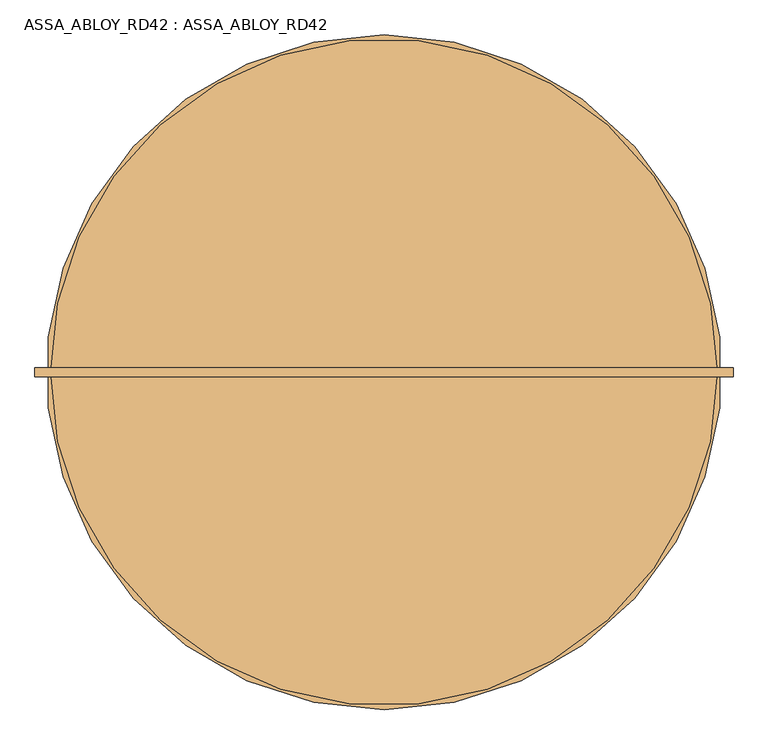
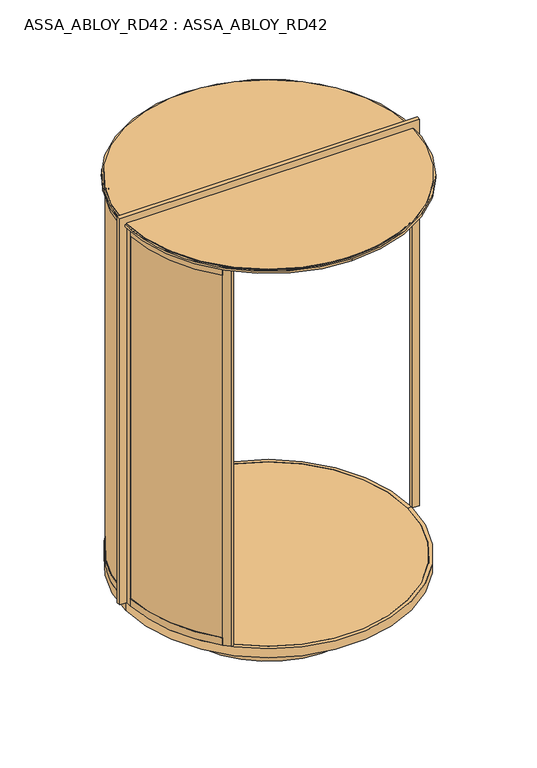
"""IFC4 building model written with IfcOpenShell, lengths in millimetres: door geometry, ASSA_ABLOY_RD42 : ASSA_ABLOY_RD42."""

from ifc_helpers import new_model, si_unit, point, frame, frame_2d, origin, origin_with_axes, place, context, project, spatial, polyline, circle_curve, trimmed, segment, composite_curve, outline, extrude, source, transform, mapped, element, save
from ifc_brep_helpers import plane_surface, cylinder_surface, revolved_surface, advanced_brep


def assa_abloy_rd42_assa_abloy_rd42_18a07053(model_context):
    return source(origin(), model_context, "Body", "SolidModel", [
        extrude(outline(composite_curve([segment(trimmed(circle_curve(frame_2d((125.0, 0.0)), 979.0), [point((-567.2575388, 692.2575388))], [point((-853.4493032, 32.8323171))], True, "CARTESIAN"), True, "CONTINUOUS"), segment(polyline([(-853.4493032, 32.8323171), (-863.4436781, 33.1676829)]), True, "CONTINUOUS"), segment(trimmed(circle_curve(frame_2d((125.0, 0.0)), 989.0), [point((-863.4436781, 33.1676829))], [point((-574.3286066, 699.3286066))], False, "CARTESIAN"), True, "CONTINUOUS"), segment(polyline([(-574.3286066, 699.3286066), (-567.2575388, 692.2575388)]), True, "CONTINUOUS")], self_intersect=False)), frame((0.0, 0.0, 33.0), z_axis=(0.0, 0.0, 1.0), x_axis=(1.0, 0.0, 0.0)), (0.0, 0.0, 1.0), 2715.0),
        advanced_brep(
        [(-575.2358565, 672.6891892, 0.0), (-593.9857353, 690.701464, 0.0), (-593.9857353, 690.701464, 53.0), (-591.8222877, 688.6231246, 53.0), (-591.8222877, 688.6231246, 33.0), (-577.3993041, 674.7675286, 33.0), (-577.3993041, 674.7675286, 53.0), (-575.2358565, 672.6891892, 53.0), (-844.6270403, 51.6178536, 0.0), (-844.6270403, 51.6178536, 53.0), (-847.6227984, 51.777332, 53.0), (-847.6227984, 51.777332, 33.0), (-867.5945191, 52.8405216, 33.0), (-867.5945191, 52.8405216, 53.0), (-870.5902772, 53.0, 53.0), (-870.5902772, 53.0, 0.0)],
        [
            (0, 1),
            (1, 2),
            (2, 3),
            (3, 4),
            (4, 5),
            (5, 6),
            (6, 7),
            (7, 0),
            (8, 9),
            (9, 10),
            (10, 11),
            (11, 12),
            (12, 13),
            (13, 14),
            (14, 15),
            (15, 8),
            (8, 0, circle_curve(frame((125.0, 0.0, 0.0), z_axis=(0.0, 0.0, -1.0), x_axis=(-0.7211491828453972, 0.6927798034595233, 0.0)), 971.0)),
            (7, 9, circle_curve(frame((125.0, 0.0, 53.0), z_axis=(0.0, 0.0, 1.0), x_axis=(-0.7211491828453972, 0.6927798034595233, 0.0)), 971.0)),
            (6, 10, circle_curve(frame((125.0, 0.0, 53.0), z_axis=(0.0, 0.0, 1.0), x_axis=(-0.7211491828453972, 0.6927798034595233, 0.0)), 974.0)),
            (5, 11, circle_curve(frame((125.0, 0.0, 33.0), z_axis=(0.0, 0.0, 1.0), x_axis=(-0.7211491828453972, 0.6927798034595233, 0.0)), 974.0)),
            (4, 12, circle_curve(frame((125.0, 0.0, 33.0), z_axis=(0.0, 0.0, 1.0), x_axis=(-0.7211491828453972, 0.6927798034595233, 0.0)), 994.0)),
            (3, 13, circle_curve(frame((125.0, 0.0, 53.0), z_axis=(0.0, 0.0, 1.0), x_axis=(-0.7211491828453972, 0.6927798034595233, 0.0)), 994.0)),
            (2, 14, circle_curve(frame((125.0, 0.0, 53.0), z_axis=(0.0, 0.0, 1.0), x_axis=(-0.7211491828453972, 0.6927798034595233, 0.0)), 997.0)),
            (1, 15, circle_curve(frame((125.0, 0.0, 0.0), z_axis=(0.0, 0.0, 1.0), x_axis=(-0.7211491828453972, 0.6927798034595233, 0.0)), 997.0)),
        ],
        [
            plane_surface(frame((-593.9857353, 690.701464, 0.0), z_axis=(0.6927798034595234, 0.7211491828453973, 0.0), x_axis=(0.0, 0.0, 1.0))),
            plane_surface(frame((-870.5902772, 53.0, 0.0), z_axis=(-0.053159478434998075, -0.9985860352781423, 0.0), x_axis=(0.0, 0.0, 1.0))),
            revolved_surface(polyline([(-575.2358565428807, 672.6891891591971, 53.0), (-575.2358565428807, 672.6891891591971, 0.0)]), (125.0, 0.0, 0.0), (0.0, 0.0, 1.0)),
            plane_surface(frame((125.0, 0.0, 53.0), z_axis=(0.0, 0.0, 1.0), x_axis=(-0.7211491828453973, 0.6927798034595234, 0.0))),
            cylinder_surface(frame((125.0, 0.0, 0.0), z_axis=(0.0, 0.0, 1.0), x_axis=(-0.7211491828453972, 0.6927798034595233, 0.0)), 974.0),
            plane_surface(frame((125.0, 0.0, 33.0), z_axis=(0.0, 0.0, 1.0), x_axis=(-0.7211491828453973, 0.6927798034595234, 0.0))),
            revolved_surface(polyline([(-591.8222877483248, 688.6231246387662, 53.0), (-591.8222877483248, 688.6231246387662, 33.0)]), (125.0, 0.0, 0.0), (0.0, 0.0, 1.0)),
            cylinder_surface(frame((125.0, 0.0, 0.0), z_axis=(0.0, 0.0, 1.0), x_axis=(-0.7211491828453972, 0.6927798034595233, 0.0)), 997.0),
            plane_surface(frame((125.0, 0.0, 0.0), z_axis=(0.0, 0.0, -1.0), x_axis=(-0.7211491828453973, 0.6927798034595234, 0.0))),
        ],
        [
            (0, [[1, 2, 3, 4, 5, 6, 7, 8]]),
            (1, [[9, 10, 11, 12, 13, 14, 15, 16]]),
            (2, [[17, -8, 18, -9]]),
            (3, [[-18, -7, 19, -10]]),
            (4, [[-19, -6, 20, -11]]),
            (5, [[-20, -5, 21, -12]]),
            (6, [[-21, -4, 22, -13]]),
            (3, [[-22, -3, 23, -14]]),
            (7, [[-23, -2, 24, -15]]),
            (8, [[-24, -1, -17, -16]]),
        ],
    ),
        advanced_brep(
        [(-844.6270403, 51.6178536, 2778.0), (-870.5902772, 53.0, 2778.0), (-870.5902772, 53.0, 2728.0), (-867.5945191, 52.8405216, 2728.0), (-867.5945191, 52.8405216, 2748.0), (-847.6227984, 51.777332, 2748.0), (-847.6227984, 51.777332, 2728.0), (-844.6270403, 51.6178536, 2728.0), (-575.2358565, 672.6891892, 2778.0), (-575.2358565, 672.6891892, 2728.0), (-577.3993041, 674.7675286, 2728.0), (-577.3993041, 674.7675286, 2748.0), (-591.8222877, 688.6231246, 2748.0), (-591.8222877, 688.6231246, 2728.0), (-593.9857353, 690.701464, 2728.0), (-593.9857353, 690.701464, 2778.0)],
        [
            (0, 1),
            (1, 2),
            (2, 3),
            (3, 4),
            (4, 5),
            (5, 6),
            (6, 7),
            (7, 0),
            (8, 9),
            (9, 10),
            (10, 11),
            (11, 12),
            (12, 13),
            (13, 14),
            (14, 15),
            (15, 8),
            (8, 0, circle_curve(frame((125.0, 0.0, 2778.0), z_axis=(0.0, 0.0, 1.0), x_axis=(-0.9985860352779656, 0.05315947843831304, 0.0)), 971.0)),
            (7, 9, circle_curve(frame((125.0, 0.0, 2728.0), z_axis=(0.0, 0.0, -1.0), x_axis=(-0.9985860352779656, 0.05315947843831304, 0.0)), 971.0)),
            (6, 10, circle_curve(frame((125.0, 0.0, 2728.0), z_axis=(0.0, 0.0, -1.0), x_axis=(-0.9985860352779656, 0.05315947843831304, 0.0)), 974.0)),
            (14, 2, circle_curve(frame((125.0, 0.0, 2728.0), z_axis=(0.0, 0.0, 1.0), x_axis=(-0.9985860352779656, 0.05315947843831304, 0.0)), 997.0)),
            (1, 15, circle_curve(frame((125.0, 0.0, 2778.0), z_axis=(0.0, 0.0, -1.0), x_axis=(-0.9985860352779656, 0.05315947843831304, 0.0)), 997.0)),
            (5, 11, circle_curve(frame((125.0, 0.0, 2748.0), z_axis=(0.0, 0.0, -1.0), x_axis=(-0.9985860352779656, 0.05315947843831304, 0.0)), 974.0)),
            (4, 12, circle_curve(frame((125.0, 0.0, 2748.0), z_axis=(0.0, 0.0, -1.0), x_axis=(-0.9985860352779656, 0.05315947843831304, 0.0)), 994.0)),
            (3, 13, circle_curve(frame((125.0, 0.0, 2728.0), z_axis=(0.0, 0.0, -1.0), x_axis=(-0.9985860352779656, 0.05315947843831304, 0.0)), 994.0)),
        ],
        [
            plane_surface(frame((-870.5902772, 53.0, 2778.0), z_axis=(-0.05315947843831305, -0.9985860352779657, 0.0), x_axis=(0.0, 0.0, 1.0))),
            plane_surface(frame((-593.9857353, 690.701464, 2778.0), z_axis=(0.6927798034621091, 0.7211491828429132, 0.0), x_axis=(0.0, 0.0, 1.0))),
            revolved_surface(polyline([(-844.6270402549046, 51.61785356360196, 2728.0), (-844.6270402549046, 51.61785356360196, 2778.0)]), (125.0, 0.0, 2778.0), (0.0, 0.0, -1.0)),
            plane_surface(frame((125.0, 0.0, 2728.0), z_axis=(0.0, 0.0, -1.0), x_axis=(-0.9985860352779657, 0.05315947843831305, 0.0))),
            cylinder_surface(frame((125.0, 0.0, 2778.0), z_axis=(0.0, 0.0, -1.0), x_axis=(-0.9985860352779656, 0.05315947843831304, 0.0)), 997.0),
            plane_surface(frame((125.0, 0.0, 2778.0), z_axis=(0.0, 0.0, 1.0), x_axis=(-0.9985860352779657, 0.05315947843831305, 0.0))),
            cylinder_surface(frame((125.0, 0.0, 2778.0), z_axis=(0.0, 0.0, -1.0), x_axis=(-0.9985860352779656, 0.05315947843831304, 0.0)), 974.0),
            plane_surface(frame((125.0, 0.0, 2748.0), z_axis=(0.0, 0.0, -1.0), x_axis=(-0.9985860352779657, 0.05315947843831305, 0.0))),
            revolved_surface(polyline([(-867.5945190662978, 52.84052156768316, 2728.0), (-867.5945190662978, 52.84052156768316, 2748.0)]), (125.0, 0.0, 2778.0), (0.0, 0.0, -1.0)),
        ],
        [
            (0, [[1, 2, 3, 4, 5, 6, 7, 8]]),
            (1, [[9, 10, 11, 12, 13, 14, 15, 16]]),
            (2, [[17, -8, 18, -9]]),
            (3, [[-18, -7, 19, -10]]),
            (4, [[20, -2, 21, -15]]),
            (5, [[-21, -1, -17, -16]]),
            (6, [[-19, -6, 22, -11]]),
            (7, [[-22, -5, 23, -12]]),
            (8, [[-23, -4, 24, -13]]),
            (3, [[-24, -3, -20, -14]]),
        ],
    ),
        extrude(outline(composite_curve([segment(polyline([(-577.863883, 702.863883), (-592.0060186, 688.7217474), (-594.1270815, 690.8428103), (-549.5793543, 735.3905375), (-550.2864632, 736.0976464), (-529.0719672, 757.3121425)]), True, "CONTINUOUS"), segment(trimmed(circle_curve(frame_2d((-519.1727276, 747.4129028)), 13.9996389), [point((-529.0719672, 757.3121425))], [point((-509.273488, 737.5136632))], False, "CARTESIAN"), True, "CONTINUOUS"), segment(polyline([(-509.273488, 737.5136632), (-530.487984, 716.2991672), (-531.1950929, 717.0062761), (-575.7428202, 672.4585489), (-577.863883, 674.5796118), (-563.7217474, 688.7217474), (-577.863883, 702.863883)]), True, "CONTINUOUS")], self_intersect=False)), origin_with_axes(), (0.0, 0.0, 1.0), 2778.0),
        extrude(outline(polyline([(-872.0, 0.0), (-872.0, 53.0), (-869.0, 53.0), (-869.0, 33.0), (-849.0, 33.0), (-849.0, 53.0), (-846.0, 53.0), (-846.0, 0.0), (-872.0, 0.0)])), origin_with_axes(), (0.0, 0.0, 1.0), 2778.0),
        extrude(outline(composite_curve([segment(trimmed(circle_curve(frame_2d((125.0, 0.0)), 989.0), [point((-574.3286066, -699.3286066))], [point((-863.4436781, -33.1676829))], False, "CARTESIAN"), True, "CONTINUOUS"), segment(polyline([(-863.4436781, -33.1676829), (-853.4493032, -32.8323171)]), True, "CONTINUOUS"), segment(trimmed(circle_curve(frame_2d((125.0, 0.0)), 979.0), [point((-853.4493032, -32.8323171))], [point((-567.2575388, -692.2575388))], True, "CARTESIAN"), True, "CONTINUOUS"), segment(polyline([(-567.2575388, -692.2575388), (-574.3286066, -699.3286066)]), True, "CONTINUOUS")], self_intersect=False)), frame((0.0, 0.0, 33.0), z_axis=(0.0, 0.0, 1.0), x_axis=(1.0, 0.0, 0.0)), (0.0, 0.0, 1.0), 2715.0),
        advanced_brep(
        [(-575.2358565, -672.6891892, 0.0), (-575.2358565, -672.6891892, 53.0), (-577.3993041, -674.7675286, 53.0), (-577.3993041, -674.7675286, 33.0), (-591.8222877, -688.6231246, 33.0), (-591.8222877, -688.6231246, 53.0), (-593.9857353, -690.701464, 53.0), (-593.9857353, -690.701464, 0.0), (-844.6270403, -51.6178536, 0.0), (-870.5902772, -53.0, 0.0), (-870.5902772, -53.0, 53.0), (-867.5945191, -52.8405216, 53.0), (-867.5945191, -52.8405216, 33.0), (-847.6227984, -51.777332, 33.0), (-847.6227984, -51.777332, 53.0), (-844.6270403, -51.6178536, 53.0)],
        [
            (0, 1),
            (1, 2),
            (2, 3),
            (3, 4),
            (4, 5),
            (5, 6),
            (6, 7),
            (7, 0),
            (8, 9),
            (9, 10),
            (10, 11),
            (11, 12),
            (12, 13),
            (13, 14),
            (14, 15),
            (15, 8),
            (15, 1, circle_curve(frame((125.0, 0.0, 53.0), z_axis=(0.0, 0.0, 1.0), x_axis=(-0.72114918284517, -0.6927798034597599, 0.0)), 971.0)),
            (0, 8, circle_curve(frame((125.0, 0.0, 0.0), z_axis=(0.0, 0.0, -1.0), x_axis=(-0.72114918284517, -0.6927798034597599, 0.0)), 971.0)),
            (14, 2, circle_curve(frame((125.0, 0.0, 53.0), z_axis=(0.0, 0.0, 1.0), x_axis=(-0.72114918284517, -0.6927798034597599, 0.0)), 974.0)),
            (13, 3, circle_curve(frame((125.0, 0.0, 33.0), z_axis=(0.0, 0.0, 1.0), x_axis=(-0.72114918284517, -0.6927798034597599, 0.0)), 974.0)),
            (12, 4, circle_curve(frame((125.0, 0.0, 33.0), z_axis=(0.0, 0.0, 1.0), x_axis=(-0.72114918284517, -0.6927798034597599, 0.0)), 994.0)),
            (11, 5, circle_curve(frame((125.0, 0.0, 53.0), z_axis=(0.0, 0.0, 1.0), x_axis=(-0.72114918284517, -0.6927798034597599, 0.0)), 994.0)),
            (10, 6, circle_curve(frame((125.0, 0.0, 53.0), z_axis=(0.0, 0.0, 1.0), x_axis=(-0.72114918284517, -0.6927798034597599, 0.0)), 997.0)),
            (9, 7, circle_curve(frame((125.0, 0.0, 0.0), z_axis=(0.0, 0.0, 1.0), x_axis=(-0.72114918284517, -0.6927798034597599, 0.0)), 997.0)),
        ],
        [
            plane_surface(frame((-593.9857353, -690.701464, 0.0), z_axis=(0.6927798034597599, -0.7211491828451702, 0.0), x_axis=(0.0, 0.0, 1.0))),
            plane_surface(frame((-870.5902772, -53.0, 0.0), z_axis=(-0.05315947843611757, 0.9985860352780827, 0.0), x_axis=(0.0, 0.0, 1.0))),
            revolved_surface(polyline([(-575.2358565426601, -672.6891891594269, 0.0), (-575.2358565426601, -672.6891891594269, 53.0)]), (125.0, 0.0, 0.0), (0.0, 0.0, -1.0)),
            plane_surface(frame((125.0, 0.0, 53.0), z_axis=(0.0, 0.0, 1.0), x_axis=(-0.72114918284517, -0.6927798034597599, 0.0))),
            cylinder_surface(frame((125.0, 0.0, 0.0), z_axis=(0.0, 0.0, -1.0), x_axis=(-0.72114918284517, -0.6927798034597599, 0.0)), 974.0),
            plane_surface(frame((125.0, 0.0, 33.0), z_axis=(0.0, 0.0, 1.0), x_axis=(-0.72114918284517, -0.6927798034597599, 0.0))),
            revolved_surface(polyline([(-591.822287748099, -688.6231246390013, 33.0), (-591.822287748099, -688.6231246390013, 53.0)]), (125.0, 0.0, 0.0), (0.0, 0.0, -1.0)),
            cylinder_surface(frame((125.0, 0.0, 0.0), z_axis=(0.0, 0.0, -1.0), x_axis=(-0.72114918284517, -0.6927798034597599, 0.0)), 997.0),
            plane_surface(frame((125.0, 0.0, 0.0), z_axis=(0.0, 0.0, -1.0), x_axis=(-0.72114918284517, -0.6927798034597599, 0.0))),
        ],
        [
            (0, [[1, 2, 3, 4, 5, 6, 7, 8]]),
            (1, [[9, 10, 11, 12, 13, 14, 15, 16]]),
            (2, [[17, -1, 18, -16]]),
            (3, [[19, -2, -17, -15]]),
            (4, [[20, -3, -19, -14]]),
            (5, [[21, -4, -20, -13]]),
            (6, [[22, -5, -21, -12]]),
            (3, [[23, -6, -22, -11]]),
            (7, [[24, -7, -23, -10]]),
            (8, [[-18, -8, -24, -9]]),
        ],
    ),
        advanced_brep(
        [(-844.6270403, -51.6178536, 2778.0), (-844.6270403, -51.6178536, 2728.0), (-847.6227984, -51.777332, 2728.0), (-847.6227984, -51.777332, 2748.0), (-867.5945191, -52.8405216, 2748.0), (-867.5945191, -52.8405216, 2728.0), (-870.5902772, -53.0, 2728.0), (-870.5902772, -53.0, 2778.0), (-575.2358565, -672.6891892, 2778.0), (-593.9857353, -690.7014641, 2778.0), (-593.9857353, -690.7014641, 2728.0), (-591.8222878, -688.6231246, 2728.0), (-591.8222878, -688.6231246, 2748.0), (-577.3993041, -674.7675286, 2748.0), (-577.3993041, -674.7675286, 2728.0), (-575.2358565, -672.6891892, 2728.0)],
        [
            (0, 1),
            (1, 2),
            (2, 3),
            (3, 4),
            (4, 5),
            (5, 6),
            (6, 7),
            (7, 0),
            (8, 9),
            (9, 10),
            (10, 11),
            (11, 12),
            (12, 13),
            (13, 14),
            (14, 15),
            (15, 8),
            (15, 1, circle_curve(frame((125.0, 0.0, 2728.0), z_axis=(0.0, 0.0, -1.0), x_axis=(-0.998586035278223, -0.053159478433480345, 0.0)), 971.0)),
            (0, 8, circle_curve(frame((125.0, 0.0, 2778.0), z_axis=(0.0, 0.0, 1.0), x_axis=(-0.998586035278223, -0.053159478433480345, 0.0)), 971.0)),
            (14, 2, circle_curve(frame((125.0, 0.0, 2728.0), z_axis=(0.0, 0.0, -1.0), x_axis=(-0.998586035278223, -0.053159478433480345, 0.0)), 974.0)),
            (9, 7, circle_curve(frame((125.0, 0.0, 2778.0), z_axis=(0.0, 0.0, -1.0), x_axis=(-0.998586035278223, -0.053159478433480345, 0.0)), 997.0)),
            (6, 10, circle_curve(frame((125.0, 0.0, 2728.0), z_axis=(0.0, 0.0, 1.0), x_axis=(-0.998586035278223, -0.053159478433480345, 0.0)), 997.0)),
            (13, 3, circle_curve(frame((125.0, 0.0, 2748.0), z_axis=(0.0, 0.0, -1.0), x_axis=(-0.998586035278223, -0.053159478433480345, 0.0)), 974.0)),
            (12, 4, circle_curve(frame((125.0, 0.0, 2748.0), z_axis=(0.0, 0.0, -1.0), x_axis=(-0.998586035278223, -0.053159478433480345, 0.0)), 994.0)),
            (11, 5, circle_curve(frame((125.0, 0.0, 2728.0), z_axis=(0.0, 0.0, -1.0), x_axis=(-0.998586035278223, -0.053159478433480345, 0.0)), 994.0)),
        ],
        [
            plane_surface(frame((-870.5902772, -53.0, 2778.0), z_axis=(-0.053159478433480345, 0.998586035278223, 0.0), x_axis=(0.0, 0.0, 1.0))),
            plane_surface(frame((-593.9857353, -690.7014641, 2778.0), z_axis=(0.6927798034594096, -0.7211491828455066, 0.0), x_axis=(0.0, 0.0, 1.0))),
            revolved_surface(polyline([(-844.6270402551545, -51.61785355890942, 2778.0), (-844.6270402551545, -51.61785355890942, 2728.0)]), (125.0, 0.0, 2778.0), (0.0, 0.0, 1.0)),
            plane_surface(frame((125.0, 0.0, 2728.0), z_axis=(0.0, 0.0, -1.0), x_axis=(-0.998586035278223, -0.053159478433480345, 0.0))),
            cylinder_surface(frame((125.0, 0.0, 2778.0), z_axis=(0.0, 0.0, 1.0), x_axis=(-0.998586035278223, -0.053159478433480345, 0.0)), 997.0),
            plane_surface(frame((125.0, 0.0, 2778.0), z_axis=(0.0, 0.0, 1.0), x_axis=(-0.998586035278223, -0.053159478433480345, 0.0))),
            cylinder_surface(frame((125.0, 0.0, 2778.0), z_axis=(0.0, 0.0, 1.0), x_axis=(-0.998586035278223, -0.053159478433480345, 0.0)), 974.0),
            plane_surface(frame((125.0, 0.0, 2748.0), z_axis=(0.0, 0.0, -1.0), x_axis=(-0.998586035278223, -0.053159478433480345, 0.0))),
            revolved_surface(polyline([(-867.5945190665536, -52.84052156287946, 2748.0), (-867.5945190665536, -52.84052156287946, 2728.0)]), (125.0, 0.0, 2778.0), (0.0, 0.0, 1.0)),
        ],
        [
            (0, [[1, 2, 3, 4, 5, 6, 7, 8]]),
            (1, [[9, 10, 11, 12, 13, 14, 15, 16]]),
            (2, [[17, -1, 18, -16]]),
            (3, [[19, -2, -17, -15]]),
            (4, [[20, -7, 21, -10]]),
            (5, [[-18, -8, -20, -9]]),
            (6, [[22, -3, -19, -14]]),
            (7, [[23, -4, -22, -13]]),
            (8, [[24, -5, -23, -12]]),
            (3, [[-21, -6, -24, -11]]),
        ],
    ),
        extrude(outline(composite_curve([segment(polyline([(-577.863883, -702.863883), (-563.7217474, -688.7217474), (-577.863883, -674.5796118), (-575.7428202, -672.4585489), (-538.9730103, -709.2283587)]), True, "CONTINUOUS"), segment(trimmed(circle_curve(frame_2d((-548.1651408, -718.4204896)), 12.9996359), [point((-538.9730103, -709.2283587))], [point((-557.3572715, -727.6126203))], False, "CARTESIAN"), True, "CONTINUOUS"), segment(polyline([(-557.3572715, -727.6126203), (-594.1270815, -690.8428103), (-592.0060186, -688.7217474), (-577.863883, -702.863883)]), True, "CONTINUOUS")], self_intersect=False)), origin_with_axes(), (0.0, 0.0, 1.0), 2778.0),
        extrude(outline(polyline([(-872.0, 0.0), (-846.0, 0.0), (-846.0, -53.0), (-849.0, -53.0), (-849.0, -33.0), (-869.0, -33.0), (-869.0, -53.0), (-872.0, -53.0), (-872.0, 0.0)])), origin_with_axes(), (0.0, 0.0, 1.0), 2778.0),
        extrude(outline(composite_curve([segment(trimmed(circle_curve(frame_2d((125.0, 0.0)), 1000.0), [point((-875.0, 0.0))], [point((1125.0, 0.0))], False, "CARTESIAN"), True, "CONTINUOUS"), segment(trimmed(circle_curve(frame_2d((125.0, 0.0)), 1000.0), [point((1125.0, 0.0))], [point((-875.0, 0.0))], False, "CARTESIAN"), True, "CONTINUOUS")], self_intersect=False)), frame((0.0, 0.0, 2778.0), z_axis=(0.0, 0.0, 1.0), x_axis=(1.0, 0.0, 0.0)), (0.0, 0.0, 1.0), 22.0),
        extrude(outline(composite_curve([segment(trimmed(circle_curve(frame_2d((125.0, 0.0)), 971.0), [point((-846.0, 0.0))], [point((1096.0, 0.0))], False, "CARTESIAN"), True, "CONTINUOUS"), segment(trimmed(circle_curve(frame_2d((125.0, 0.0)), 971.0), [point((1096.0, 0.0))], [point((-846.0, 0.0))], False, "CARTESIAN"), True, "CONTINUOUS")], self_intersect=False)), frame((0.0, 0.0, -22.0), z_axis=(0.0, 0.0, 1.0), x_axis=(1.0, 0.0, 0.0)), (0.0, 0.0, 1.0), 22.0),
        extrude(outline(polyline([(2800.0, 1125.0), (2778.0, 1125.0), (2778.0, 1122.0), (0.0, 1122.0), (0.0, 1172.0), (2850.0, 1172.0), (2850.0, -922.0), (0.0, -922.0), (0.0, -872.0), (2778.0, -872.0), (2778.0, -875.0), (2800.0, -875.0), (2800.0, 1125.0)])), frame((0.0, -14.0, 0.0), z_axis=(0.0, 1.0, 0.0), x_axis=(0.0, 0.0, 1.0)), (0.0, 0.0, 1.0), 28.0),
        advanced_brep(
        [(1122.0, 0.0, -65.0), (-872.0, 0.0, -65.0), (-872.0, 0.0, 0.0), (1122.0, 0.0, 0.0), (125.0, 0.0, -65.0), (1096.0, 0.0, -23.0), (-846.0, 0.0, -23.0), (125.0, 0.0, -23.0), (1096.0, 0.0, 0.0), (-846.0, 0.0, 0.0)],
        [
            (0, 1, circle_curve(frame((125.0, 0.0, -65.0), z_axis=(0.0, 0.0, 1.0), x_axis=(-1.0, 0.0, 0.0)), 997.0)),
            (1, 2),
            (2, 3, circle_curve(frame((125.0, 0.0, 0.0), z_axis=(0.0, 0.0, -1.0), x_axis=(-1.0, 0.0, 0.0)), 997.0)),
            (3, 0),
            (1, 0, circle_curve(frame((125.0, 0.0, -65.0), z_axis=(0.0, 0.0, 1.0), x_axis=(-1.0, 0.0, 0.0)), 997.0)),
            (3, 2, circle_curve(frame((125.0, 0.0, 0.0), z_axis=(0.0, 0.0, -1.0), x_axis=(-1.0, 0.0, 0.0)), 997.0)),
            (0, 4),
            (4, 1),
            (5, 6, circle_curve(frame((125.0, 0.0, -23.0), z_axis=(0.0, 0.0, 1.0), x_axis=(-1.0, 0.0, 0.0)), 971.0)),
            (6, 7),
            (7, 5),
            (6, 5, circle_curve(frame((125.0, 0.0, -23.0), z_axis=(0.0, 0.0, 1.0), x_axis=(-1.0, 0.0, 0.0)), 971.0)),
            (5, 8),
            (8, 9, circle_curve(frame((125.0, 0.0, 0.0), z_axis=(0.0, 0.0, 1.0), x_axis=(-1.0, 0.0, 0.0)), 971.0)),
            (9, 6),
            (9, 8, circle_curve(frame((125.0, 0.0, 0.0), z_axis=(0.0, 0.0, 1.0), x_axis=(-1.0, 0.0, 0.0)), 971.0)),
            (2, 9),
            (8, 3),
        ],
        [
            cylinder_surface(frame((125.0, 0.0, -20.0), z_axis=(0.0, 0.0, -1.0), x_axis=(-1.0, 0.0, 0.0)), 997.0),
            plane_surface(frame((125.0, 0.0, -65.0), z_axis=(0.0, 0.0, -1.0), x_axis=(-1.0, 0.0, 0.0))),
            plane_surface(frame((125.0, 0.0, -23.0), z_axis=(0.0, 0.0, 1.0), x_axis=(-1.0, 0.0, 0.0))),
            revolved_surface(polyline([(-846.0, 0.0, -23.0), (-846.0, 0.0, 0.0)]), (125.0, 0.0, -20.0), (0.0, 0.0, -1.0)),
            plane_surface(frame((125.0, 0.0, 0.0), z_axis=(0.0, 0.0, 1.0), x_axis=(-1.0, 0.0, 0.0))),
        ],
        [
            (0, [[1, 2, 3, 4]]),
            (0, [[-2, 5, -4, 6]]),
            (1, [[-1, 7, 8]]),
            (1, [[-5, -8, -7]]),
            (2, [[9, 10, 11]]),
            (2, [[-10, 12, -11]]),
            (3, [[-9, 13, 14, 15]]),
            (3, [[-12, -15, 16, -13]]),
            (4, [[-3, 17, -14, 18]]),
            (4, [[-6, -18, -16, -17]]),
        ],
    ),
        advanced_brep(
        [(125.0, 1012.0, 2794.0), (125.0, -1012.0, 2794.0), (65.0, 0.0, 2794.0), (185.0, 0.0, 2794.0), (125.0, 1012.0, 2778.0), (125.0, -1012.0, 2778.0), (185.0, 0.0, 2778.0), (65.0, 0.0, 2778.0)],
        [
            (0, 1, circle_curve(frame((125.0, 0.0, 2794.0), z_axis=(0.0, 0.0, 1.0), x_axis=(0.0, -1.0, 0.0)), 1012.0)),
            (1, 0, circle_curve(frame((125.0, 0.0, 2794.0), z_axis=(0.0, 0.0, 1.0), x_axis=(0.0, -1.0, 0.0)), 1012.0)),
            (2, 3, circle_curve(frame((125.0, 0.0, 2794.0), z_axis=(0.0, 0.0, -1.0), x_axis=(-1.0, 0.0, 0.0)), 60.0)),
            (3, 2, circle_curve(frame((125.0, 0.0, 2794.0), z_axis=(0.0, 0.0, -1.0), x_axis=(-1.0, 0.0, 0.0)), 60.0)),
            (4, 5, circle_curve(frame((125.0, 0.0, 2778.0), z_axis=(0.0, 0.0, -1.0), x_axis=(0.0, -1.0, 0.0)), 1012.0)),
            (5, 4, circle_curve(frame((125.0, 0.0, 2778.0), z_axis=(0.0, 0.0, -1.0), x_axis=(0.0, -1.0, 0.0)), 1012.0)),
            (6, 7, circle_curve(frame((125.0, 0.0, 2778.0), z_axis=(0.0, 0.0, 1.0), x_axis=(-1.0, 0.0, 0.0)), 60.0)),
            (7, 6, circle_curve(frame((125.0, 0.0, 2778.0), z_axis=(0.0, 0.0, 1.0), x_axis=(-1.0, 0.0, 0.0)), 60.0)),
            (0, 4),
            (5, 1),
            (6, 3),
            (2, 7),
        ],
        [
            plane_surface(frame((125.0, -1012.0, 2794.0), z_axis=(0.0, 0.0, 1.0), x_axis=(1.0, 0.0, 0.0))),
            plane_surface(frame((125.0, -1012.0, 2778.0), z_axis=(0.0, 0.0, -1.0), x_axis=(-1.0, 0.0, 0.0))),
            cylinder_surface(frame((125.0, 0.0, 2794.0), z_axis=(0.0, 0.0, -1.0), x_axis=(0.0, -1.0, 0.0)), 1012.0),
            revolved_surface(polyline([(65.0, 0.0, 2794.0), (65.0, 0.0, 2778.0)]), (125.0, 0.0, 2778.0), (0.0, 0.0, 1.0)),
        ],
        [
            (0, [[1, 2], [3, 4]]),
            (1, [[5, 6], [7, 8]]),
            (2, [[-1, 9, -6, 10]]),
            (2, [[-2, -10, -5, -9]]),
            (3, [[11, -3, 12, -7]]),
            (3, [[-11, -8, -12, -4]]),
        ],
    ),
        extrude(outline(composite_curve([segment(trimmed(circle_curve(frame_2d((125.0, 0.0)), 645.0), [point((-520.0, 0.0))], [point((770.0, 0.0))], False, "CARTESIAN"), True, "CONTINUOUS"), segment(trimmed(circle_curve(frame_2d((125.0, 0.0)), 645.0), [point((770.0, 0.0))], [point((-520.0, 0.0))], False, "CARTESIAN"), True, "CONTINUOUS")], self_intersect=False)), frame((0.0, 0.0, -340.0), z_axis=(0.0, 0.0, 1.0), x_axis=(1.0, 0.0, 0.0)), (0.0, 0.0, 1.0), 275.0),
    ])


if __name__ == "__main__":
    model = new_model("IFC4")
    model_context = context("Model", 3, world=origin())
    ifc_project = project(units=[si_unit("LENGTHUNIT", "METRE", prefix="MILLI")], contexts=[model_context])
    site = spatial("IfcSite", under=ifc_project)
    building = spatial("IfcBuilding", under=site)
    placement = place(None, origin())
    assa_abloy_rd42_assa_abloy_rd42_shape = assa_abloy_rd42_assa_abloy_rd42_18a07053(model_context)
    element("IfcDoor", 1, ObjectType="ASSA_ABLOY_RD42 : ASSA_ABLOY_RD42", at=placement, inside=building, context=model_context, shape_type="MappedRepresentation", body=[
        mapped(assa_abloy_rd42_assa_abloy_rd42_shape, transform((0.0, 0.0, 0.0), x_axis=(1.0, 0.0, 0.0), y_axis=(0.0, 1.0, 0.0), z_axis=(0.0, 0.0, 1.0))),
    ])
    save(model, "model.ifc")
